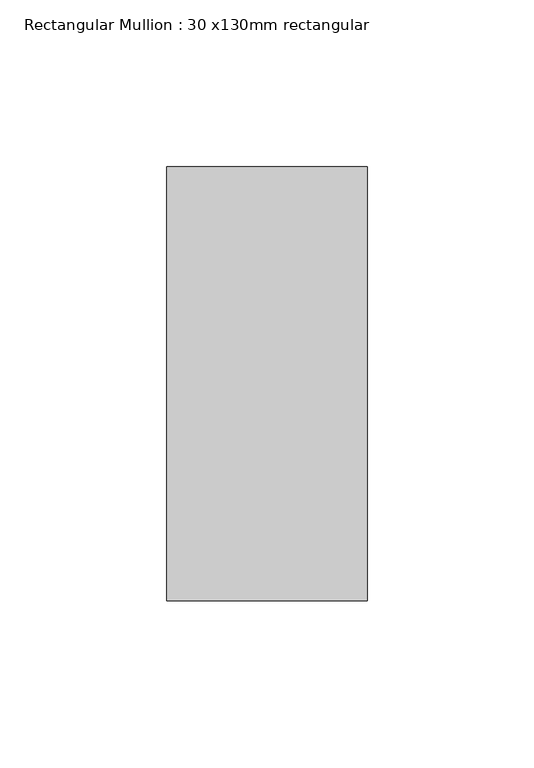
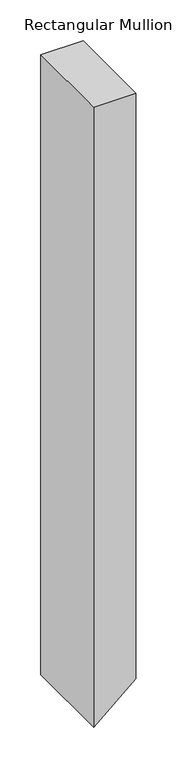
"""IFC4 building model written with IfcOpenShell, lengths in millimetres: member geometry, Rectangular Mullion : 30 x130mm rectangular."""

from ifc_helpers import new_model, si_unit, frame, origin, place, context, project, spatial, polyline, outline, extrude, source, transform, mapped, element, save


def rectangular_mullion_30_x130mm_rectangular_4894772c(model_context):
    return source(origin(), model_context, "Body", "SweptSolid", [
        extrude(outline(polyline([(0.0, 30.0), (0.0, -30.0), (-929.4266528, -30.0), (-877.4651286, 30.0), (0.0, 30.0)])), frame((0.0, -65.0, 0.0), z_axis=(0.0, 1.0, 0.0), x_axis=(0.0, 0.0, 1.0)), (0.0, 0.0, 1.0), 130.0),
    ])


if __name__ == "__main__":
    model = new_model("IFC4")
    model_context = context("Model", 3, world=origin())
    ifc_project = project(units=[si_unit("LENGTHUNIT", "METRE", prefix="MILLI")], contexts=[model_context])
    site = spatial("IfcSite", under=ifc_project)
    building = spatial("IfcBuilding", under=site)
    placement = place(None, origin())
    rectangular_mullion_30_x130mm_rectangular_shape = rectangular_mullion_30_x130mm_rectangular_4894772c(model_context)
    element("IfcMember", 1, ObjectType="Rectangular Mullion : 30 x130mm rectangular", at=placement, inside=building, context=model_context, shape_type="MappedRepresentation", body=[
        mapped(rectangular_mullion_30_x130mm_rectangular_shape, transform((0.0, 0.0, 0.0), x_axis=(1.0, 0.0, 0.0), y_axis=(0.0, 1.0, 0.0), z_axis=(0.0, 0.0, 1.0))),
    ])
    save(model, "model.ifc")
